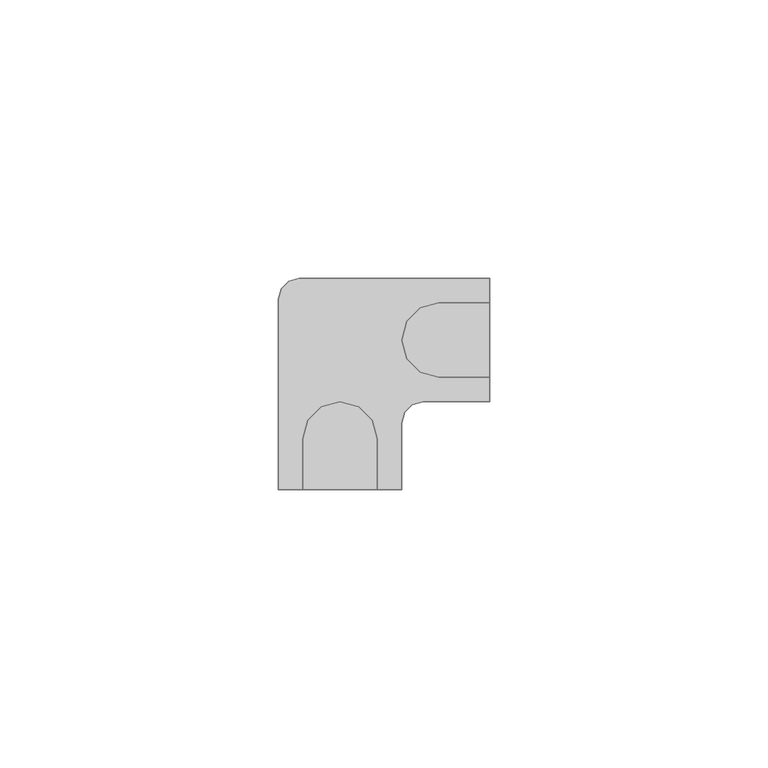
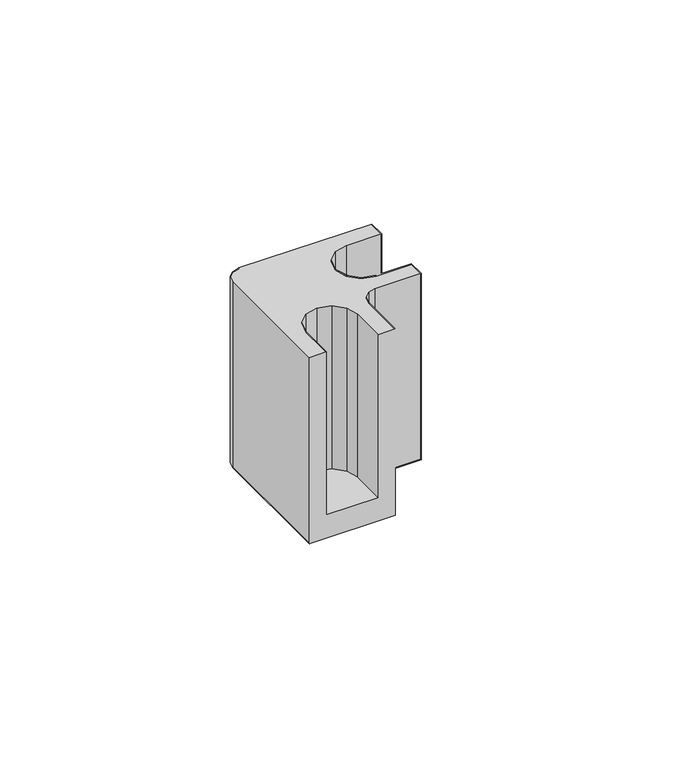
"""IFC4 building model written with IfcOpenShell, lengths in millimetres: furniture geometry."""

import ifcopenshell
import ifcopenshell.guid

model = None  # the IFC model being written
_history = None  # IfcOwnerHistory: only IFC2X3 demands one
_inside = {}  # id of a spatial element -> (the spatial element, [elements in it])
_under = {}  # id of a project, library or spatial element -> (it, [spatial elements below it])
_declared = {}  # id of a project -> (the project, [libraries it declares])
_typed = {}  # id of a type object -> (the type object, [elements of that type])
_made_of = {}  # id of a material, layer set ... -> (it, [elements and type objects made of it])


def new_model(schema):
    """Start an empty IFC model of exactly this schema.

    Asked for "IFC4X3", IfcOpenShell would pick the latest addendum, in which some entities
    have other attributes; the version numbers below select the first issue.
    IFC2X3 requires an IfcOwnerHistory on every rooted entity: one is made here for all.
    """
    global model, _history
    if schema == "IFC4X3":
        model = ifcopenshell.file(schema_version=(4, 3, 0, 0))
    else:
        model = ifcopenshell.file(schema=schema)
    _inside.clear()
    _under.clear()
    _declared.clear()
    _typed.clear()
    _made_of.clear()
    _history = None
    if model.schema == "IFC2X3":
        org = make("IfcOrganization", Name="unknown")
        user = make(
            "IfcPersonAndOrganization",
            ThePerson=make("IfcPerson", FamilyName="unknown"),
            TheOrganization=org,
        )
        app = make(
            "IfcApplication",
            ApplicationDeveloper=org,
            Version="unknown",
            ApplicationFullName="unknown",
            ApplicationIdentifier="unknown",
        )
        _history = make(
            "IfcOwnerHistory",
            OwningUser=user,
            OwningApplication=app,
            ChangeAction="ADDED",
            CreationDate=0,
        )
    return model


def make(cls, **values):
    """One entity of the class cls with the attributes given. An attribute that is None is left unset."""
    return model.create_entity(
        cls, **{name: value for name, value in values.items() if value is not None}
    )


def rooted(cls, **values):
    """An entity with a GlobalId (a new one), such as an element, a storey or a relation."""
    return make(cls, GlobalId=ifcopenshell.guid.new(), OwnerHistory=_history, **values)


def si_unit(unit_type, name, prefix=None):
    """IfcSIUnit, for example si_unit("LENGTHUNIT", "METRE", prefix="MILLI")."""
    return make("IfcSIUnit", UnitType=unit_type, Prefix=prefix, Name=name)


def assignment(units):
    """IfcUnitAssignment: the units of a project."""
    return None if units is None else make("IfcUnitAssignment", Units=units)


def point(xyz):
    """IfcCartesianPoint."""
    return None if xyz is None else make("IfcCartesianPoint", Coordinates=xyz)


def direction(xyz):
    """IfcDirection."""
    return None if xyz is None else make("IfcDirection", DirectionRatios=xyz)


def frame(location, z_axis=None, x_axis=None):
    """IfcAxis2Placement3D, a coordinate frame: its origin and axes. An axis left out is left unset."""
    return make(
        "IfcAxis2Placement3D",
        Location=point(location),
        Axis=direction(z_axis),
        RefDirection=direction(x_axis),
    )


def origin():
    """The frame at (0, 0, 0) with its axes left unset."""
    return frame((0.0, 0.0, 0.0))


def place(relative_to, where):
    """IfcLocalPlacement: puts the frame where relative to a parent placement (None: the world)."""
    return make(
        "IfcLocalPlacement", PlacementRelTo=relative_to, RelativePlacement=where
    )


def context(
    kind, dimensions, precision=None, world=None, true_north=None, identifier=None
):
    """IfcGeometricRepresentationContext, for example the 3D "Model" context."""
    return make(
        "IfcGeometricRepresentationContext",
        ContextIdentifier=identifier,
        ContextType=kind,
        CoordinateSpaceDimension=dimensions,
        Precision=precision,
        WorldCoordinateSystem=world,
        TrueNorth=true_north,
    )


def project(units=None, contexts=None):
    """IfcProject with its units and contexts."""
    return rooted(
        "IfcProject",
        Name="project",
        RepresentationContexts=contexts,
        UnitsInContext=assignment(units),
    )


def spatial(cls, under=None, at=None, **own):
    """A site, building, storey or space (cls), placed at a placement, below another one or the project."""
    s = rooted(cls, ObjectPlacement=at, **own)
    if under is not None:
        _under.setdefault(under.id(), (under, []))[1].append(s)
    return s


def point_list(points):
    """IfcCartesianPointList2D or 3D."""
    cls = (
        "IfcCartesianPointList2D" if len(points[0]) == 2 else "IfcCartesianPointList3D"
    )
    return make(cls, CoordList=points)


def triangles(points, corners, closed=None, point_numbers=None):
    """IfcTriangulatedFaceSet: each triangle names its three corners, points numbered from 1."""
    return make(
        "IfcTriangulatedFaceSet",
        Coordinates=point_list(points),
        Closed=closed,
        CoordIndex=corners,
        PnIndex=point_numbers,
    )


def shape(context_of_items, identifier, shape_type, items):
    """IfcShapeRepresentation: the items that make up one representation, for example the "Body"."""
    return make(
        "IfcShapeRepresentation",
        ContextOfItems=context_of_items,
        RepresentationIdentifier=identifier,
        RepresentationType=shape_type,
        Items=items,
    )


def source(mapping_origin, context_of_items, identifier, shape_type, items):
    """IfcRepresentationMap: a shape defined once, which mapped items show again and again."""
    return make(
        "IfcRepresentationMap",
        MappingOrigin=mapping_origin,
        MappedRepresentation=shape(context_of_items, identifier, shape_type, items),
    )


def transform(
    local_origin,
    x_axis=None,
    y_axis=None,
    z_axis=None,
    scale=None,
    scale2=None,
    scale3=None,
    uniform=True,
):
    """IfcCartesianTransformationOperator3D, or its non-uniform kind. x_axis, y_axis, z_axis: its Axis1, 2, 3."""
    if uniform:
        return make(
            "IfcCartesianTransformationOperator3D",
            Axis1=direction(x_axis),
            Axis2=direction(y_axis),
            LocalOrigin=point(local_origin),
            Scale=scale,
            Axis3=direction(z_axis),
        )
    return make(
        "IfcCartesianTransformationOperator3DnonUniform",
        Axis1=direction(x_axis),
        Axis2=direction(y_axis),
        LocalOrigin=point(local_origin),
        Scale=scale,
        Axis3=direction(z_axis),
        Scale2=scale2,
        Scale3=scale3,
    )


def mapped(mapping_source, mapping_target):
    """IfcMappedItem: shows the shape of a source again, moved by a transform."""
    return make(
        "IfcMappedItem", MappingSource=mapping_source, MappingTarget=mapping_target
    )


def made_of(thing, what):
    """Note that an element or type object is made of a material, layer set ...; save() writes the relation."""
    if what is not None:
        _made_of.setdefault(what.id(), (what, []))[1].append(thing)
    return thing


def element(
    cls,
    number,
    at=None,
    inside=None,
    cuts=None,
    type_object=None,
    material=None,
    context=None,
    identifier="Body",
    shape_type=None,
    held_by="IfcProductDefinitionShape",
    body=None,
    shapes=None,
    **own,
):
    """One element of the class cls, such as IfcWall. Its Tag is "e" and its number.

    at: its placement. inside: the storey or other place that contains it. cuts: it is an
    opening in that element (IfcRelVoidsElement). A single representation is given by context,
    identifier, shape_type and body (its items); several are given by shapes. held_by: the class
    of the entity that holds the representations. save() writes the other relations.
    """
    e = rooted(cls, Tag="e%d" % number, ObjectPlacement=at, **own)
    if body is not None:
        shapes = [shape(context, identifier, shape_type, body)]
    if shapes is not None:
        e.Representation = make(held_by, Representations=shapes)
    if inside is not None:
        _inside.setdefault(inside.id(), (inside, []))[1].append(e)
    if cuts is not None:
        rooted(
            "IfcRelVoidsElement", RelatingBuildingElement=cuts, RelatedOpeningElement=e
        )
    if type_object is not None:
        _typed.setdefault(type_object.id(), (type_object, []))[1].append(e)
    return made_of(e, material)


def aggregate(whole, parts):
    """IfcRelAggregates: a whole, such as a stair, and the parts it consists of."""
    return rooted("IfcRelAggregates", RelatingObject=whole, RelatedObjects=parts)


def save(model, path):
    """Write the relations noted so far, then the file.

    IfcRelAggregates (storeys below a building ...), IfcRelContainedInSpatialStructure (elements
    in a storey), IfcRelDefinesByType, IfcRelAssociatesMaterial and IfcRelDeclares: one each for
    every whole, place, type object, material and project.
    """
    for whole, parts in _under.values():
        aggregate(whole, parts)
    for where, things in _inside.values():
        rooted(
            "IfcRelContainedInSpatialStructure",
            RelatedElements=things,
            RelatingStructure=where,
        )
    for kind, things in _typed.values():
        rooted("IfcRelDefinesByType", RelatedObjects=things, RelatingType=kind)
    for what, things in _made_of.values():
        rooted("IfcRelAssociatesMaterial", RelatedObjects=things, RelatingMaterial=what)
    for by, libraries in _declared.values():
        rooted("IfcRelDeclares", RelatingContext=by, RelatedDefinitions=libraries)
    model.write(path)


def furniture_4bb8ff8b(model_context):
    return source(origin(), model_context, "Body", "Tessellation", [
        triangles([(-38.0365001, -52.3240001, 1068.400193), (-15.8114997, -52.3240001, 1068.400193), (-20.2565011, -52.3240001, 1074.7501688), (-33.5914998, -52.3240001, 1074.7501688), (-33.5914998, -52.3240001, 1119.2002172), (-38.0365001, -52.3240001, 1119.2002172), (-20.2565011, -52.3240001, 1119.2002172), (-15.8114997, -52.3240001, 1119.2002172), (-20.2565011, -43.1799997, 1119.2002172), (-20.2565011, -43.1799997, 1074.7501688), (-22.478999, -52.3240001, 1074.7501688), (-21.1497764, -39.8462506, 1074.7501688), (-24.7014992, -52.3240001, 1074.7501688), (-23.5902502, -37.4057746, 1074.7501688), (-26.9239993, -52.3240001, 1074.7501688), (-26.9239993, -36.5124992, 1074.7501688), (-29.1464995, -52.3240001, 1074.7501688), (-30.2577507, -37.4057746, 1074.7501688), (-31.3689996, -52.3240001, 1074.7501688), (-32.6982244, -39.8462506, 1074.7501688), (-33.5914998, -43.1799997, 1074.7501688), (-33.5914998, -43.1799997, 1119.2002172), (-32.6982244, -39.8462506, 1119.2002172), (-30.2577507, -37.4057746, 1119.2002172), (-26.9239993, -36.5124992, 1119.2002172), (-23.5902502, -37.4057746, 1119.2002172), (-21.1497764, -39.8462506, 1119.2002172), (0.0, -32.0674989, 1074.7501688), (-9.1439998, -32.0674989, 1074.7501688), (0.0, -29.8450011, 1074.7501688), (-12.4777495, -31.1742236, 1074.7501688), (0.0, -27.6225009, 1074.7501688), (-14.9182244, -28.7337498, 1074.7501688), (-15.8114997, -25.4000008, 1074.7501688), (0.0, -25.4000008, 1074.7501688), (-14.9182244, -22.0662494, 1074.7501688), (0.0, -23.1775006, 1074.7501688), (-12.4777495, -19.6257756, 1074.7501688), (0.0, -20.9550005, 1074.7501688), (-9.1439998, -18.7325003, 1074.7501688), (0.0, -18.7325003, 1074.7501688), (-9.1439998, -32.0674989, 1119.2002172), (-12.4777495, -31.1742236, 1119.2002172), (-14.9182244, -28.7337498, 1119.2002172), (-15.8114997, -25.4000008, 1119.2002172), (-14.9182244, -22.0662494, 1119.2002172), (-12.4777495, -19.6257756, 1119.2002172), (-9.1439998, -18.7325003, 1119.2002172), (-15.8114997, -40.3224979, 1068.400193), (-15.8114997, -40.3224979, 1119.2002172), (-15.3010566, -38.4174997, 1068.400193), (-15.3010566, -38.4174997, 1119.2002172), (-13.9065004, -37.0229423, 1119.2002172), (-13.9065004, -37.0229423, 1068.400193), (-12.0014999, -36.5124992, 1119.2002172), (-12.0014999, -36.5124992, 1068.400193), (-38.0365001, -18.0974998, 1119.2002172), (-38.0365001, -18.0974998, 1068.400193), (-37.526057, -16.1925005, 1068.400193), (-37.526057, -16.1925005, 1119.2002172), (-36.1314996, -14.797943, 1068.400193), (-36.1314996, -14.797943, 1119.2002172), (-34.2264992, -14.2875, 1068.400193), (-34.2264992, -14.2875, 1119.2002172), (0.0, -36.5124992, 1068.400193), (0.0, -14.2875, 1068.400193), (0.0, -36.5124992, 1119.2002172), (0.0, -32.0674989, 1119.2002172), (0.0, -14.2875, 1119.2002172), (0.0, -18.7325003, 1119.2002172)], [[1, 2, 3], [1, 3, 4], [1, 4, 5], [1, 5, 6], [7, 8, 2], [7, 2, 3], [7, 9, 10], [7, 10, 3], [10, 3, 11], [10, 11, 12], [12, 11, 13], [12, 13, 14], [14, 13, 15], [14, 15, 16], [16, 15, 17], [16, 17, 18], [18, 17, 19], [18, 19, 20], [20, 19, 4], [20, 4, 21], [21, 22, 23], [21, 23, 20], [20, 23, 24], [20, 24, 18], [18, 24, 25], [18, 25, 16], [16, 25, 26], [16, 26, 14], [14, 26, 27], [14, 27, 12], [12, 27, 9], [12, 9, 10], [4, 21, 22], [4, 22, 5], [28, 29, 30], [29, 31, 30], [30, 31, 32], [31, 33, 32], [32, 33, 34], [32, 34, 35], [35, 34, 36], [35, 36, 37], [37, 36, 38], [37, 38, 39], [39, 38, 40], [39, 40, 41], [29, 42, 43], [29, 43, 31], [31, 43, 44], [31, 44, 33], [33, 44, 45], [33, 45, 34], [34, 45, 46], [34, 46, 36], [36, 46, 47], [36, 47, 38], [38, 47, 48], [38, 48, 40], [49, 50, 51], [50, 52, 51], [51, 52, 53], [51, 53, 54], [54, 53, 55], [54, 55, 56], [57, 58, 59], [57, 59, 60], [60, 59, 61], [60, 61, 62], [62, 61, 63], [62, 63, 64], [50, 57, 60], [50, 60, 52], [52, 60, 62], [52, 62, 53], [53, 62, 64], [53, 64, 55], [58, 49, 51], [58, 51, 59], [59, 51, 54], [59, 54, 61], [61, 54, 56], [61, 56, 63], [1, 58, 49], [1, 49, 2], [65, 56, 66], [56, 63, 66], [67, 65, 28], [67, 28, 68], [28, 65, 41], [65, 66, 41], [66, 69, 70], [66, 70, 41], [65, 56, 55], [65, 55, 67], [2, 49, 50], [2, 50, 8], [41, 70, 48], [41, 48, 40], [68, 28, 29], [68, 29, 42], [8, 7, 50], [7, 9, 50], [9, 50, 27], [27, 50, 26], [50, 57, 25], [50, 25, 26], [25, 57, 24], [24, 57, 23], [23, 57, 22], [22, 57, 6], [22, 6, 5], [67, 68, 42], [67, 42, 55], [55, 42, 43], [55, 43, 44], [55, 64, 45], [55, 45, 44], [70, 69, 64], [70, 64, 48], [47, 48, 64], [46, 47, 64], [46, 64, 45], [6, 57, 58], [6, 58, 1], [69, 66, 63], [69, 63, 64]], closed=False),
    ])


if __name__ == "__main__":
    model = new_model("IFC4")
    model_context = context("Model", 3, world=origin())
    ifc_project = project(units=[si_unit("LENGTHUNIT", "METRE", prefix="MILLI")], contexts=[model_context])
    site = spatial("IfcSite", under=ifc_project)
    building = spatial("IfcBuilding", under=site)
    placement = place(None, origin())
    furniture_shape = furniture_4bb8ff8b(model_context)
    element("IfcFurniture", 1, at=placement, inside=building, context=model_context, shape_type="MappedRepresentation", body=[
        mapped(furniture_shape, transform((0.0, 0.0, 0.0), x_axis=(1.0, 0.0, 0.0), y_axis=(0.0, 1.0, 0.0), z_axis=(0.0, 0.0, 1.0))),
    ])
    save(model, "model.ifc")
